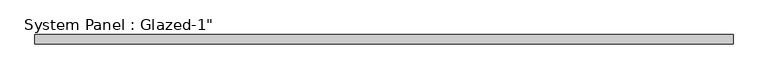
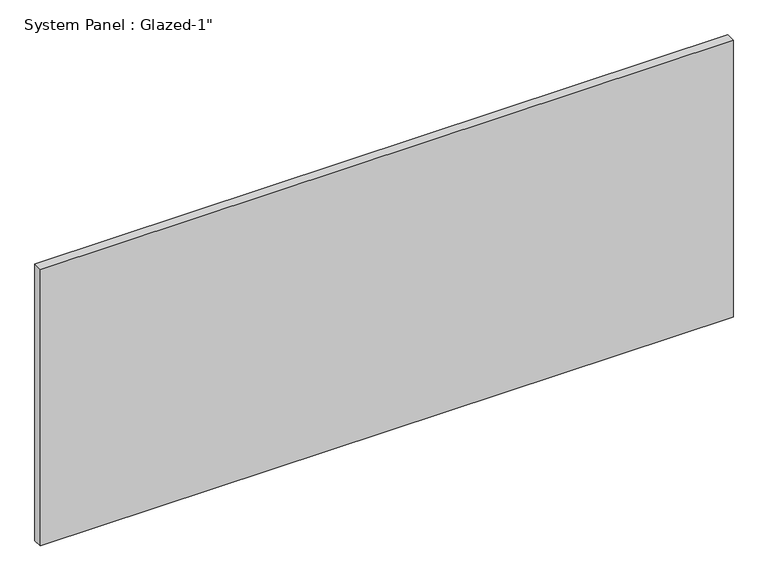
"""IFC4 building model written with IfcOpenShell, lengths in millimetres: plate geometry."""

from ifc_helpers import new_model, si_unit, origin, origin_with_axes, place, context, project, spatial, polyline, outline, extrude, source, transform, mapped, element, save


def plate_2dbdcfa8(model_context):
    return source(origin(), model_context, "Body", "SweptSolid", [
        extrude(outline(polyline([(962.024708, 25.4), (-962.024708, 25.4), (-962.024708, 50.8), (962.024708, 50.8), (962.024708, 25.4)])), origin_with_axes(), (0.0, 0.0, 1.0), 812.8),
    ])


if __name__ == "__main__":
    model = new_model("IFC4")
    model_context = context("Model", 3, world=origin())
    ifc_project = project(units=[si_unit("LENGTHUNIT", "METRE", prefix="MILLI")], contexts=[model_context])
    site = spatial("IfcSite", under=ifc_project)
    building = spatial("IfcBuilding", under=site)
    placement = place(None, origin())
    plate_shape = plate_2dbdcfa8(model_context)
    element("IfcPlate", 1, ObjectType="System Panel : Glazed-1\"", at=placement, inside=building, context=model_context, shape_type="MappedRepresentation", body=[
        mapped(plate_shape, transform((0.0, 0.0, 0.0), x_axis=(1.0, 0.0, 0.0), y_axis=(0.0, 1.0, 0.0), z_axis=(0.0, 0.0, 1.0))),
    ])
    save(model, "model.ifc")
